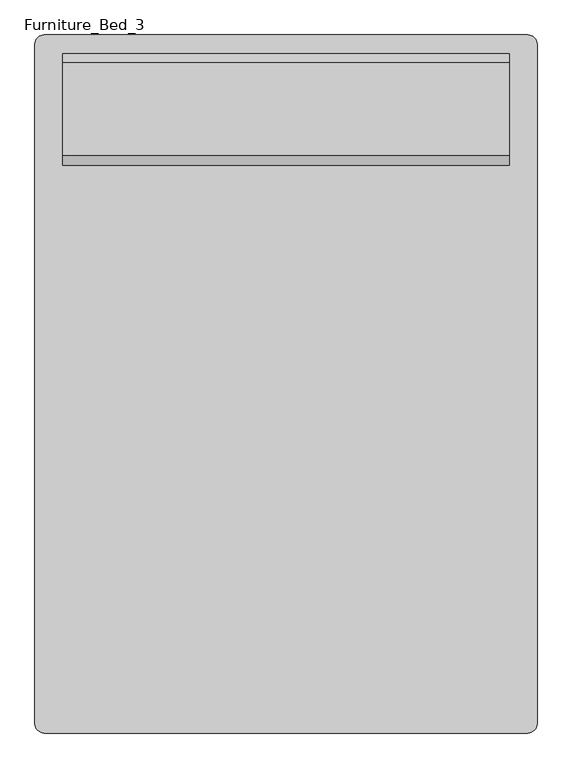
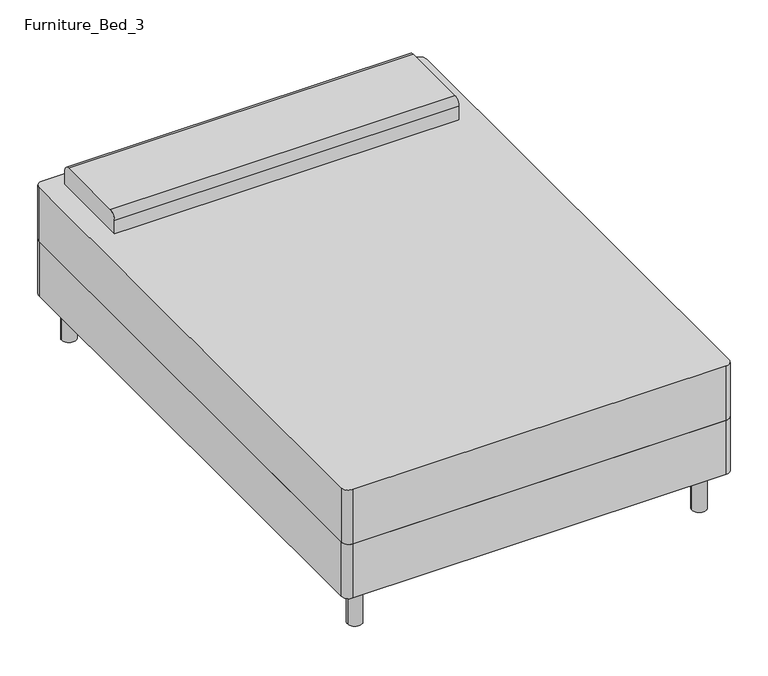
"""IFC4 building model written with IfcOpenShell, lengths in millimetres: furniture geometry, Furniture_Bed_3."""

from ifc_helpers import new_model, si_unit, point, frame, frame_2d, origin, origin_with_axes, place, context, project, spatial, polyline, circle_curve, trimmed, segment, composite_curve, outline, extrude, source, transform, mapped, element, save


def furniture_bed_3_66546df1(model_context):
    return source(origin(), model_context, "Body", "SweptSolid", [
        extrude(outline(composite_curve([segment(trimmed(circle_curve(frame_2d((-388.9114754, 881.504918)), 25.4), [point((-414.3114754, 881.504918))], [point((-388.9114754, 906.904918))], False, "CARTESIAN"), True, "CONTINUOUS"), segment(polyline([(-388.9114754, 906.904918), (931.8885246, 906.904918)]), True, "CONTINUOUS"), segment(trimmed(circle_curve(frame_2d((931.8885246, 881.504918)), 25.4), [point((931.8885246, 906.904918))], [point((957.2885246, 881.504918))], False, "CARTESIAN"), True, "CONTINUOUS"), segment(polyline([(957.2885246, 881.504918), (957.2885246, -972.695082)]), True, "CONTINUOUS"), segment(trimmed(circle_curve(frame_2d((931.8885246, -972.695082)), 25.4), [point((957.2885246, -972.695082))], [point((931.8885246, -998.095082))], False, "CARTESIAN"), True, "CONTINUOUS"), segment(polyline([(931.8885246, -998.095082), (-388.9114754, -998.095082)]), True, "CONTINUOUS"), segment(trimmed(circle_curve(frame_2d((-388.9114754, -972.695082)), 25.4), [point((-388.9114754, -998.095082))], [point((-414.3114754, -972.695082))], False, "CARTESIAN"), True, "CONTINUOUS"), segment(polyline([(-414.3114754, -972.695082), (-414.3114754, 881.504918)]), True, "CONTINUOUS")], self_intersect=False)), frame((0.0, 0.0, 355.6), z_axis=(0.0, 0.0, 1.0), x_axis=(1.0, 0.0, 0.0)), (0.0, 0.0, 1.0), 203.2),
        extrude(outline(composite_curve([segment(trimmed(circle_curve(frame_2d((-338.1114754, 830.704918)), 25.4), [point((-363.5114754, 830.704918))], [point((-312.7114754, 830.704918))], False, "CARTESIAN"), True, "CONTINUOUS"), segment(trimmed(circle_curve(frame_2d((-338.1114754, 830.704918)), 25.4), [point((-312.7114754, 830.704918))], [point((-363.5114754, 830.704918))], False, "CARTESIAN"), True, "CONTINUOUS")], self_intersect=False)), origin_with_axes(), (0.0, 0.0, 1.0), 152.4),
        extrude(outline(composite_curve([segment(trimmed(circle_curve(frame_2d((881.0885246, 830.704918)), 25.4), [point((855.6885246, 830.704918))], [point((906.4885246, 830.704918))], False, "CARTESIAN"), True, "CONTINUOUS"), segment(trimmed(circle_curve(frame_2d((881.0885246, 830.704918)), 25.4), [point((906.4885246, 830.704918))], [point((855.6885246, 830.704918))], False, "CARTESIAN"), True, "CONTINUOUS")], self_intersect=False)), origin_with_axes(), (0.0, 0.0, 1.0), 152.4),
        extrude(outline(composite_curve([segment(trimmed(circle_curve(frame_2d((881.0885246, -921.895082)), 25.4), [point((855.6885246, -921.895082))], [point((906.4885246, -921.895082))], False, "CARTESIAN"), True, "CONTINUOUS"), segment(trimmed(circle_curve(frame_2d((881.0885246, -921.895082)), 25.4), [point((906.4885246, -921.895082))], [point((855.6885246, -921.895082))], False, "CARTESIAN"), True, "CONTINUOUS")], self_intersect=False)), origin_with_axes(), (0.0, 0.0, 1.0), 152.4),
        extrude(outline(composite_curve([segment(trimmed(circle_curve(frame_2d((-338.1114754, -921.895082)), 25.4), [point((-363.5114754, -921.895082))], [point((-312.7114754, -921.895082))], False, "CARTESIAN"), True, "CONTINUOUS"), segment(trimmed(circle_curve(frame_2d((-338.1114754, -921.895082)), 25.4), [point((-312.7114754, -921.895082))], [point((-363.5114754, -921.895082))], False, "CARTESIAN"), True, "CONTINUOUS")], self_intersect=False)), origin_with_axes(), (0.0, 0.0, 1.0), 152.4),
        extrude(outline(composite_curve([segment(polyline([(551.304918, 558.8), (551.304918, 609.6)]), True, "CONTINUOUS"), segment(trimmed(circle_curve(frame_2d((576.704918, 609.6)), 25.4), [point((551.304918, 609.6))], [point((576.704918, 635.0))], False, "CARTESIAN"), True, "CONTINUOUS"), segment(polyline([(576.704918, 635.0), (830.704918, 635.0)]), True, "CONTINUOUS"), segment(trimmed(circle_curve(frame_2d((830.704918, 609.6)), 25.4), [point((830.704918, 635.0))], [point((856.104918, 609.6))], False, "CARTESIAN"), True, "CONTINUOUS"), segment(polyline([(856.104918, 609.6), (856.104918, 558.8), (551.304918, 558.8)]), True, "CONTINUOUS")], self_intersect=False)), frame((-338.1114754, 0.0, 0.0), z_axis=(1.0, 0.0, 0.0), x_axis=(0.0, 1.0, 0.0)), (0.0, 0.0, 1.0), 1219.2),
        extrude(outline(composite_curve([segment(polyline([(-414.3114754, -972.695082), (-414.3114754, 881.504918)]), True, "CONTINUOUS"), segment(trimmed(circle_curve(frame_2d((-388.9114754, 881.504918)), 25.4), [point((-414.3114754, 881.504918))], [point((-388.9114754, 906.904918))], False, "CARTESIAN"), True, "CONTINUOUS"), segment(polyline([(-388.9114754, 906.904918), (931.8885246, 906.904918)]), True, "CONTINUOUS"), segment(trimmed(circle_curve(frame_2d((931.8885246, 881.504918)), 25.4), [point((931.8885246, 906.904918))], [point((957.2885246, 881.504918))], False, "CARTESIAN"), True, "CONTINUOUS"), segment(polyline([(957.2885246, 881.504918), (957.2885246, -972.695082)]), True, "CONTINUOUS"), segment(trimmed(circle_curve(frame_2d((931.8885246, -972.695082)), 25.4), [point((957.2885246, -972.695082))], [point((931.8885246, -998.095082))], False, "CARTESIAN"), True, "CONTINUOUS"), segment(polyline([(931.8885246, -998.095082), (-388.9114754, -998.095082)]), True, "CONTINUOUS"), segment(trimmed(circle_curve(frame_2d((-388.9114754, -972.695082)), 25.4), [point((-388.9114754, -998.095082))], [point((-414.3114754, -972.695082))], False, "CARTESIAN"), True, "CONTINUOUS")], self_intersect=False)), frame((0.0, 0.0, 152.4), z_axis=(0.0, 0.0, 1.0), x_axis=(1.0, 0.0, 0.0)), (0.0, 0.0, 1.0), 203.2),
    ])


if __name__ == "__main__":
    model = new_model("IFC4")
    model_context = context("Model", 3, world=origin())
    ifc_project = project(units=[si_unit("LENGTHUNIT", "METRE", prefix="MILLI")], contexts=[model_context])
    site = spatial("IfcSite", under=ifc_project)
    building = spatial("IfcBuilding", under=site)
    placement = place(None, origin())
    furniture_bed_3_shape = furniture_bed_3_66546df1(model_context)
    element("IfcFurniture", 1, ObjectType="Furniture_Bed_3", at=placement, inside=building, context=model_context, shape_type="MappedRepresentation", body=[
        mapped(furniture_bed_3_shape, transform((0.0, 0.0, 0.0), x_axis=(1.0, 0.0, 0.0), y_axis=(0.0, 1.0, 0.0), z_axis=(0.0, 0.0, 1.0))),
    ])
    save(model, "model.ifc")
